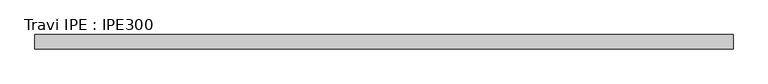
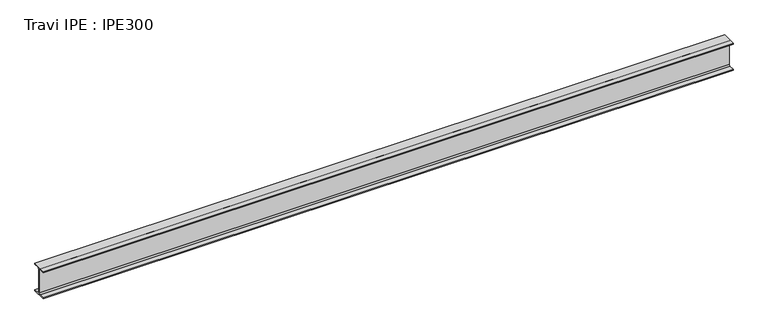
"""IFC4 building model written with IfcOpenShell, lengths in millimetres: beam geometry, Travi IPE : IPE300."""

from ifc_helpers import new_model, si_unit, point, frame, frame_2d, origin, place, context, project, spatial, polyline, circle_curve, trimmed, segment, composite_curve, outline, extrude, source, transform, mapped, element, save


def travi_ipe_ipe300_0f6a9f98(model_context):
    return source(origin(), model_context, "Body", "SweptSolid", [
        extrude(outline(composite_curve([segment(polyline([(75.0, -139.3), (75.0, -150.0), (-75.0, -150.0), (-75.0, -139.3), (-18.55, -139.3)]), True, "CONTINUOUS"), segment(trimmed(circle_curve(frame_2d((-18.55, -124.3)), 15.0), [point((-18.55, -139.3))], [point((-3.55, -124.3))], True, "CARTESIAN"), True, "CONTINUOUS"), segment(polyline([(-3.55, -124.3), (-3.55, 124.3)]), True, "CONTINUOUS"), segment(trimmed(circle_curve(frame_2d((-18.55, 124.3)), 15.0), [point((-3.55, 124.3))], [point((-18.55, 139.3))], True, "CARTESIAN"), True, "CONTINUOUS"), segment(polyline([(-18.55, 139.3), (-75.0, 139.3), (-75.0, 150.0), (75.0, 150.0), (75.0, 139.3), (18.55, 139.3)]), True, "CONTINUOUS"), segment(trimmed(circle_curve(frame_2d((18.55, 124.3)), 15.0), [point((18.55, 139.3))], [point((3.55, 124.3))], True, "CARTESIAN"), True, "CONTINUOUS"), segment(polyline([(3.55, 124.3), (3.55, -124.3)]), True, "CONTINUOUS"), segment(trimmed(circle_curve(frame_2d((18.55, -124.3)), 15.0), [point((3.55, -124.3))], [point((18.55, -139.3))], True, "CARTESIAN"), True, "CONTINUOUS"), segment(polyline([(18.55, -139.3), (75.0, -139.3)]), True, "CONTINUOUS")], self_intersect=False)), frame((-3634.5, 0.0, 0.0), z_axis=(1.0, 0.0, 0.0), x_axis=(0.0, 1.0, 0.0)), (0.0, 0.0, 1.0), 7209.0),
    ])


if __name__ == "__main__":
    model = new_model("IFC4")
    model_context = context("Model", 3, world=origin())
    ifc_project = project(units=[si_unit("LENGTHUNIT", "METRE", prefix="MILLI")], contexts=[model_context])
    site = spatial("IfcSite", under=ifc_project)
    building = spatial("IfcBuilding", under=site)
    placement = place(None, origin())
    travi_ipe_ipe300_shape = travi_ipe_ipe300_0f6a9f98(model_context)
    element("IfcBeam", 1, ObjectType="Travi IPE : IPE300", at=placement, inside=building, context=model_context, shape_type="MappedRepresentation", body=[
        mapped(travi_ipe_ipe300_shape, transform((0.0, 0.0, 0.0), x_axis=(1.0, 0.0, 0.0), y_axis=(0.0, 1.0, 0.0), z_axis=(0.0, 0.0, 1.0))),
    ])
    save(model, "model.ifc")
